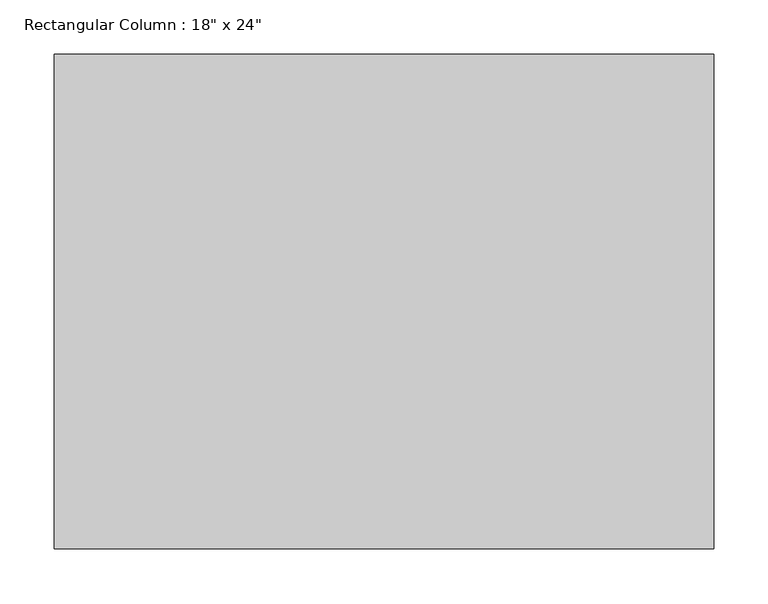
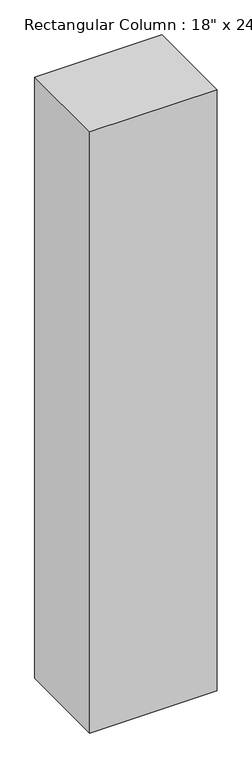
"""IFC4 building model written with IfcOpenShell, lengths in millimetres: column geometry."""

from ifc_helpers import new_model, si_unit, origin, origin_with_axes, place, context, project, spatial, polyline, outline, extrude, source, transform, mapped, element, save


def column_02326080(model_context):
    return source(origin(), model_context, "Body", "SweptSolid", [
        extrude(outline(polyline([(304.8, 228.6), (304.8, -228.6), (-304.8, -228.6), (-304.8, 228.6), (304.8, 228.6)])), origin_with_axes(), (0.0, 0.0, 1.0), 3048.0),
    ])


if __name__ == "__main__":
    model = new_model("IFC4")
    model_context = context("Model", 3, world=origin())
    ifc_project = project(units=[si_unit("LENGTHUNIT", "METRE", prefix="MILLI")], contexts=[model_context])
    site = spatial("IfcSite", under=ifc_project)
    building = spatial("IfcBuilding", under=site)
    placement = place(None, origin())
    column_shape = column_02326080(model_context)
    element("IfcColumn", 1, ObjectType="Rectangular Column : 18\" x 24\"", at=placement, inside=building, context=model_context, shape_type="MappedRepresentation", body=[
        mapped(column_shape, transform((0.0, 0.0, 0.0), x_axis=(1.0, 0.0, 0.0), y_axis=(0.0, 1.0, 0.0), z_axis=(0.0, 0.0, 1.0))),
    ])
    save(model, "model.ifc")
